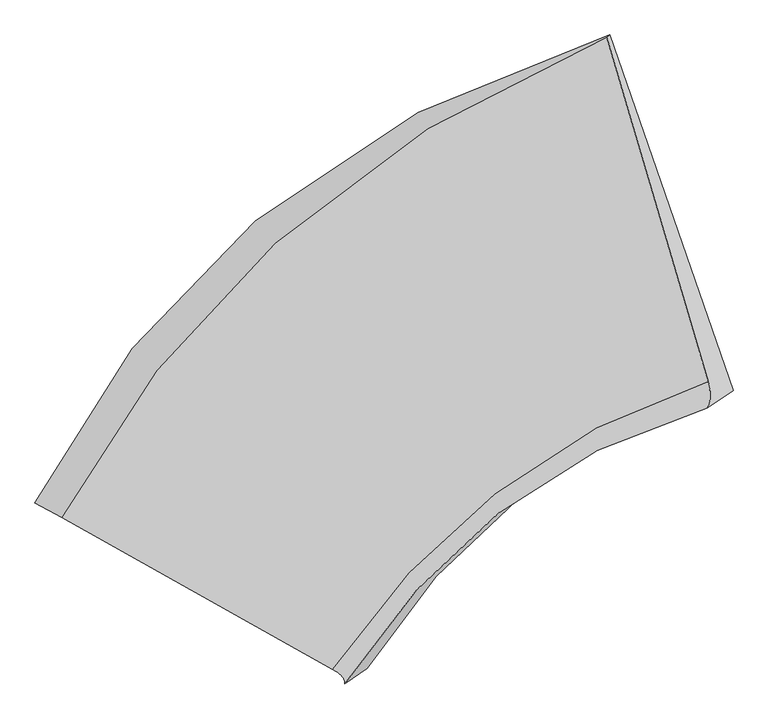
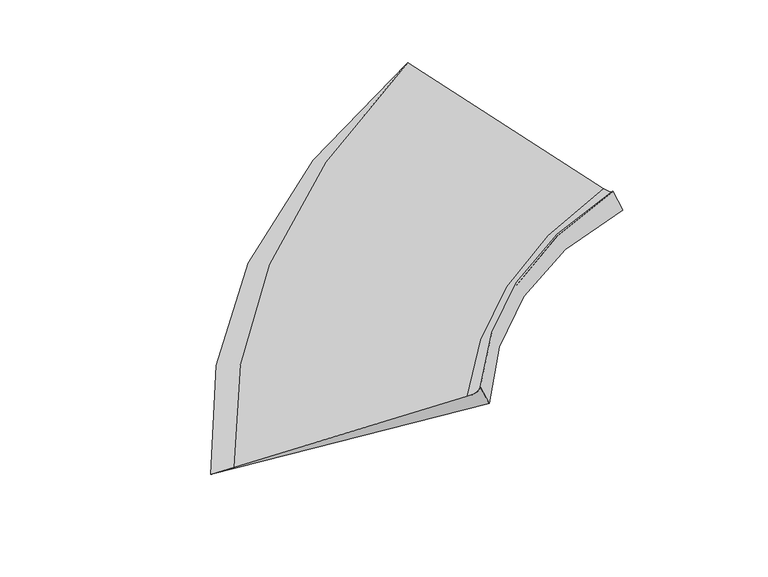
"""IFC4 building model written with IfcOpenShell, lengths in millimetres: proxy geometry."""

from ifc_helpers import new_model, si_unit, frame, origin, place, context, project, spatial, source, transform, mapped, element, save
from ifc_brep_helpers import plane_surface, spline_curve, spline_surface, advanced_brep


def generic_models_345935d4(model_context):
    return source(origin(), model_context, "Body", "AdvancedBrep", [
        advanced_brep(
        [(-3993.1593475, -6024.3595695, 311.5196952), (-3783.6894337, -6141.6431093, 398.0964906), (482.7235988, -2377.5622474, 1768.9017322), (507.3007695, -2360.5408899, 1720.6385868), (-1665.1147672, -7327.8465674, 1273.732529), (1277.2801759, -5077.126646, 1529.6311077), (-1568.3039247, -7444.3815529, 1432.0409427), (1270.2112035, -5284.4229638, 1625.7865337), (-1393.3197261, -7323.1931285, 1088.417671), (1471.8280614, -5144.7896165, 1229.8636736)],
        [
            (0, 1),
            (1, 2, spline_curve(3, [(-3783.6894337, -6141.6431093, 398.0964906), (-3347.998947878, -5320.816441728, 635.134833936), (-2790.888676997, -4603.705624573, 864.301021341), (-1386.341053391, -3333.986714477, 1322.376539221), (-521.313646747, -2796.403911212, 1550.145432058), (482.7235988, -2377.5622474, 1768.9017322)], [4, 2, 4], [0.0, 9.539369403836103, 19.746359814715433])),
            (2, 3),
            (3, 0, spline_curve(3, [(507.3007695, -2360.5408899, 1720.6385868), (-575.070343434, -2689.35345513, 1522.92707854), (-1498.785523749, -3174.513936347, 1301.912470856), (-2978.862861092, -4415.570812316, 829.257441467), (-3555.301053018, -5151.683224308, 580.565752117), (-3993.1593475, -6024.3595695, 311.5196952)], [4, 2, 4], [0.0, 10.20699041087933, 19.746359814715433])),
            (1, 4),
            (4, 5, spline_curve(3, [(-1665.1147672, -7327.8465674, 1273.732529), (-1289.324357707, -6782.141170433, 1311.70661249), (-866.176891987, -6324.971717262, 1351.242879786), (107.760817341, -5561.90556337, 1436.316092612), (665.411665963, -5268.835042817, 1482.079351694), (1277.2801759, -5077.126646, 1529.6311077)], [4, 2, 4], [0.0, 7.691119616555469, 15.920508882426525])),
            (5, 2),
            (4, 6, spline_curve(3, [(-1665.1147672, -7327.8465674, 1273.732529), (-1653.096027357, -7334.41600534, 1278.396508516), (-1642.18401421, -7340.969564621, 1283.748976732), (-1622.57344099, -7354.044925779, 1295.830890668), (-1613.874880977, -7360.566727681, 1302.560336381), (-1598.691214223, -7373.578574119, 1317.396205219), (-1592.206107444, -7380.068618642, 1325.502628329), (-1581.449347156, -7393.016950358, 1343.092452071), (-1577.177693611, -7399.475237603, 1352.575852678), (-1570.847839789, -7412.360054597, 1372.919631322), (-1568.789639478, -7418.786584364, 1383.780009426), (-1566.886692122, -7431.607886636, 1406.877742974), (-1567.041945145, -7438.002659124, 1419.115098474), (-1568.3039247, -7444.3815529, 1432.0409427)], [4, 2, 2, 2, 2, 2, 4], [0.0, 0.12134984940734886, 0.24269969881469772, 0.3640495482220466, 0.48539939762939543, 0.6067492470367443, 0.7280990964440931])),
            (6, 7, spline_curve(3, [(-1568.3039247, -7444.3815529, 1432.0409427), (-1217.251248742, -6905.70884326, 1463.500531755), (-814.972025732, -6459.235273236, 1494.834318839), (123.778506728, -5725.892210771, 1559.434407578), (667.670993265, -5452.379584333, 1592.682483951), (1270.2112035, -5284.4229638, 1625.7865337)], [4, 2, 4], [0.0, 5.849863260858942, 12.109134254655586])),
            (7, 5, spline_curve(3, [(1270.2112035, -5284.4229638, 1625.7865337), (1274.879964281, -5275.836478171, 1614.442344513), (1278.836051716, -5266.761663153, 1604.098525526), (1285.322879884, -5247.635374247, 1585.411627874), (1287.853620612, -5237.583900377, 1577.06854917), (1291.489755388, -5216.504293823, 1562.38313223), (1292.595149409, -5205.476161105, 1556.04079401), (1293.380590791, -5182.443236895, 1545.35685779), (1293.060638106, -5170.438445429, 1541.01525985), (1290.995386094, -5145.452203571, 1534.33280435), (1289.250086802, -5132.470753153, 1531.99194679), (1284.334141398, -5105.531193647, 1529.31097201), (1281.163495299, -5091.573084577, 1528.97085473), (1277.2801759, -5077.126646, 1529.6311077)], [4, 2, 2, 2, 2, 2, 4], [0.0, 0.12134984940734883, 0.24269969881469766, 0.3640495482220465, 0.4853993976293954, 0.6067492470367443, 0.7280990964440931])),
            (6, 8),
            (8, 9, spline_curve(3, [(-1393.3197261, -7323.1931285, 1088.417671), (-1065.267454861, -6800.449758842, 1165.044048767), (-672.805403195, -6360.775245769, 1215.656196575), (272.912830772, -5622.606577335, 1266.573538956), (835.500041535, -5336.146586542, 1263.110058787), (1471.8280614, -5144.7896165, 1229.8636736)], [4, 2, 4], [0.0, 5.803779164699609, 12.013740827063591])),
            (9, 7),
            (8, 0),
            (3, 9),
        ],
        [
            spline_surface(3, 3, [[(-3993.1593475, -6024.3595695, 311.5196952), (-3555.301053036, -5151.683224271, 580.565752015), (-2978.862861139, -4415.570812269, 829.257441525), (-1498.785523698, -3174.513936397, 1301.912470793), (-575.070343284, -2689.35345522, 1522.927078484), (507.3007695, -2360.5408899, 1720.6385868)], [(-3923.336042899, -6063.454082754, 340.378627008), (-3486.200351327, -5208.060963377, 598.755445972), (-2916.204799804, -4478.28241634, 840.938634825), (-1461.304033587, -3227.671529153, 1308.733826917), (-557.151444414, -2725.036940537, 1531.99986304), (499.108379256, -2366.214675731, 1736.726301934)], [(-3853.512738301, -6102.548596046, 369.237558792), (-3417.099649621, -5264.438702523, 616.945139904), (-2853.546738411, -4540.994020368, 852.619828109), (-1423.822543417, -3280.829121865, 1315.555183025), (-539.232545511, -2760.72042586, 1541.072647594), (490.915989044, -2371.888461569, 1752.814017066)], [(-3783.6894337, -6141.6431093, 398.0964906), (-3347.998947913, -5320.816441629, 635.13483386), (-2790.888677076, -4603.705624439, 864.301021409), (-1386.341053306, -3333.986714621, 1322.376539149), (-521.313646641, -2796.403911177, 1550.14543215), (482.7235988, -2377.5622474, 1768.9017322)]], [4, 4], [4, 2, 4], [0.0, 0.7507275471865918], [0.0, 9.539369403836103, 19.746359814715433]),
            spline_surface(3, 3, [[(-3783.6894337, -6141.6431093, 398.0964906), (-3347.998947913, -5320.816441629, 635.13483386), (-2790.888677076, -4603.705624439, 864.301021409), (-1386.341053306, -3333.986714621, 1322.376539149), (-521.313646641, -2796.403911177, 1550.14543215), (482.7235988, -2377.5622474, 1768.9017322)], [(-3077.497878212, -6537.044262015, 689.975170072), (-2661.774084549, -5807.924684574, 860.65876004), (-2149.318082072, -5177.460988674, 1026.614974163), (-888.307096376, -4076.626330884, 1360.35639034), (-125.738542388, -3620.547621751, 1527.456738671), (747.57579118, -3277.417046918, 1689.144857389)], [(-2371.306322688, -6932.445414685, 981.853849528), (-1975.54922115, -6295.032927473, 1086.182686202), (-1507.747487097, -5751.21635295, 1188.928926924), (-390.273139476, -4819.265947189, 1398.336241537), (269.836561826, -4444.691332372, 1504.768045126), (1012.42798352, -4177.271846482, 1609.387982511)], [(-1665.1147672, -7327.8465674, 1273.732529), (-1289.324357787, -6782.141170417, 1311.706612381), (-866.176892092, -6324.971717184, 1351.242879678), (107.760817454, -5561.905563452, 1436.316092728), (665.411666079, -5268.835042946, 1482.079351648), (1277.2801759, -5077.126646, 1529.6311077)]], [4, 4], [4, 2, 4], [0.0, 8.63128368415739], [0.0, 7.691119616555469, 15.920508882426525]),
            spline_surface(3, 3, [[(-1665.1147672, -7327.8465674, 1273.732529), (-1289.324357787, -6782.141170417, 1311.706612381), (-866.176892092, -6324.971717184, 1351.242879678), (107.760817454, -5561.905563452, 1436.316092728), (665.411666079, -5268.835042946, 1482.079351648), (1277.2801759, -5077.126646, 1529.6311077)], [(-1653.096027359, -7334.416005341, 1278.396508515), (-1277.905804714, -6790.471963047, 1315.68548321), (-855.701462323, -6334.825743108, 1354.453423136), (115.574121539, -5574.419752841, 1437.763947895), (671.456286653, -5282.451665919, 1482.520790022), (1281.163495299, -5091.573084575, 1528.97085473)], [(-1642.184014209, -7340.96956462, 1283.748976733), (-1267.723000291, -6798.558435376, 1320.40670813), (-846.497818343, -6344.280612457, 1358.458426441), (122.233520253, -5586.366638884, 1440.110478321), (676.514390209, -5295.498338134, 1483.912758481), (1284.334141398, -5105.531193649, 1529.31097201)], [(-1622.573440991, -7354.04492578, 1295.830890667), (-1249.828888445, -6814.242739355, 1331.333866246), (-830.63410212, -6362.392037987, 1368.057352505), (133.244506781, -5609.125804264, 1446.60088946), (684.657563088, -5320.45178141, 1488.597755287), (1289.250086802, -5132.470753151, 1531.99194679)], [(-1613.874880976, -7360.566727681, 1302.560336381), (-1242.117581075, -6821.840571026, 1337.539799441), (-823.97402983, -6371.048594124, 1373.651275234), (137.596094641, -5619.938083554, 1450.74477014), (687.742632399, -5332.358552462, 1491.890783695), (1290.995386095, -5145.452203573, 1534.33280435)], [(-1598.691214224, -7373.578574119, 1317.396205219), (-1229.166463529, -6836.547593724, 1351.436374018), (-813.197456922, -6387.563393337, 1386.428040446), (143.991459528, -5640.428035536, 1460.829882083), (691.939737009, -5355.032193067, 1500.377900557), (1293.060638105, -5170.438445427, 1541.01525985)], [(-1592.206107444, -7380.068618642, 1325.50262833), (-1223.926653312, -6843.656784737, 1359.127015387), (-809.080956322, -6395.421636362, 1393.610882899), (146.035236535, -5650.105708175, 1466.771113317), (693.051772276, -5365.799062657, 1505.571989014), (1293.380590791, -5182.443236897, 1545.356857791)], [(-1581.449347156, -7393.016950358, 1343.09245207), (-1215.918530067, -6857.386526155, 1375.993006424), (-803.39152673, -6410.339809259, 1409.565487259), (147.81497978, -5668.326446758, 1480.450926066), (693.302808617, -5386.192900592, 1517.861225932), (1292.595149409, -5205.476161103, 1556.040794009)], [(-1577.177693612, -7399.475237602, 1352.575852678), (-1213.150217002, -6864.00707661, 1385.168356068), (-801.818597821, -6417.399739171, 1418.337249237), (147.550945934, -5676.869512744, 1488.189507653), (692.44180974, -5395.819868919, 1524.956374339), (1291.489755388, -5216.504293821, 1562.383132231)], [(-1570.847839788, -7412.360054598, 1372.919631322), (-1210.085088057, -6876.759536747, 1405.003763565), (-801.216311545, -6430.721285751, 1437.469692744), (144.715067537, -5692.82103793, 1505.464021207), (688.746777812, -5413.933904183, 1541.047731314), (1287.853620612, -5237.583900379, 1577.068549169)], [(-1568.789639479, -7418.786584363, 1383.780009426), (-1209.788272145, -6882.891446443, 1415.663821484), (-802.186954225, -6436.982902452, 1447.830374246), (142.143222938, -5700.229497164, 1514.999953147), (685.91274479, -5422.420971147, 1550.043939869), (1285.322879885, -5247.635374245, 1585.411627872)], [(-1566.886692121, -7431.607886637, 1406.877742974), (-1211.6661375, -6894.6666253, 1438.468645441), (-806.671811264, -6448.707822714, 1470.1406569), (134.691722898, -5713.911808952, 1535.869167507), (678.271644592, -5438.255203741, 1569.9374169), (1278.836051715, -5266.761663155, 1604.098525528)], [(-1567.041945147, -7438.002659124, 1419.115098475), (-1213.840818841, -6900.309894438, 1450.613411535), (-810.186025534, -6454.171126304, 1482.090258027), (129.812067547, -5720.185661533, 1547.2024499), (673.464577426, -5445.602369343, 1580.834685405), (1274.879964282, -5275.83647817, 1614.442344512)], [(-1568.3039247, -7444.3815529, 1432.0409427), (-1217.251248669, -6905.708843227, 1463.500531743), (-814.972025712, -6459.235273276, 1494.834318928), (123.778506706, -5725.892210728, 1559.434407483), (667.670993193, -5452.379584305, 1592.682483949), (1270.2112035, -5284.4229638, 1625.7865337)]], [4, 2, 2, 2, 2, 2, 4], [4, 2, 4], [0.0, 0.12134984940734886, 0.24269969881469772, 0.3640495482220466, 0.48539939762939543, 0.6067492470367443, 0.7280990964440931], [0.0, 5.849863260858942, 12.109134254655586]),
            spline_surface(3, 3, [[(-1568.3039247, -7444.3815529, 1432.0409427), (-1217.251248669, -6905.708843227, 1463.500531743), (-814.972025712, -6459.235273276, 1494.834318928), (123.778506706, -5725.892210728, 1559.434407483), (667.670993193, -5452.379584305, 1592.682483949), (1270.2112035, -5284.4229638, 1625.7865337)], [(-1509.975858529, -7403.985411418, 1317.499852144), (-1166.589984064, -6870.622481772, 1364.015037406), (-767.583151504, -6426.415264096, 1401.774944798), (173.489948056, -5691.463666291, 1461.814117987), (723.614009321, -5413.635251724, 1482.82500886), (1337.416822819, -5237.87851471, 1493.812246987)], [(-1451.647792271, -7363.589269982, 1202.958761556), (-1115.928719371, -6835.536120363, 1264.529543035), (-720.194277344, -6393.595254893, 1308.715570669), (223.201389358, -5657.035121833, 1364.193828492), (779.557025394, -5374.890919114, 1372.96753381), (1404.622442081, -5191.33406559, 1361.837960313)], [(-1393.3197261, -7323.1931285, 1088.417671), (-1065.267454767, -6800.449758908, 1165.044048697), (-672.805403135, -6360.775245712, 1215.656196539), (272.912830708, -5622.606577396, 1266.573538995), (835.500041523, -5336.146586534, 1263.110058721), (1471.8280614, -5144.7896165, 1229.8636736)]], [4, 4], [4, 2, 4], [0.0, 1.105980895332109], [0.0, 5.803779164699609, 12.013740827063591]),
            spline_surface(3, 3, [[(-1393.3197261, -7323.1931285, 1088.417671), (-1065.267454767, -6800.449758908, 1165.044048697), (-672.805403135, -6360.775245712, 1215.656196539), (272.912830708, -5622.606577396, 1266.573538995), (835.500041523, -5336.146586534, 1263.110058721), (1471.8280614, -5144.7896165, 1229.8636736)], [(-2259.932933223, -6890.248608863, 829.451679053), (-1895.27865418, -6250.860914059, 970.217949789), (-1441.491222459, -5712.373767897, 1086.856611536), (-317.653287417, -4806.575697063, 1278.35318293), (365.309913248, -4453.882209419, 1349.715731978), (1150.318964094, -4216.706707623, 1393.455311336)], [(-3126.546140377, -6457.304089137, 570.485687147), (-2725.289853623, -5701.27206912, 775.391850923), (-2210.177041815, -5063.972290084, 958.057026528), (-908.219405574, -3990.544816731, 1290.132826859), (-104.88021501, -3571.617832335, 1436.321405227), (828.809866806, -3288.623798777, 1557.046949064)], [(-3993.1593475, -6024.3595695, 311.5196952), (-3555.301053036, -5151.683224271, 580.565752015), (-2978.862861139, -4415.570812269, 829.257441525), (-1498.785523698, -3174.513936397, 1301.912470793), (-575.070343284, -2689.35345522, 1522.927078484), (507.3007695, -2360.5408899, 1720.6385868)]], [4, 4], [4, 2, 4], [0.0, 9.846871356422847], [0.0, 7.705816183422887, 15.950930568087252]),
            plane_surface(frame((1001.8687618, -4048.8884727, 1574.9643268), z_axis=(0.8416253964287868, 0.2033699064574691, 0.5003072788132987), x_axis=(-0.4329077134748317, -0.2998179502657709, 0.8501177026226573))),
            plane_surface(frame((-2154.9744414, -7029.9452046, 1026.4277095), z_axis=(-0.28970406371392154, -0.8467648960585892, -0.44616226450757474), x_axis=(0.8642300114117274, -0.43175391751577713, 0.2582538326628771))),
        ],
        [
            (0, [[1, 2, 3, 4]]),
            (1, [[5, 6, 7, -2]]),
            (2, [[8, 9, 10, -6]]),
            (3, [[11, 12, 13, -9]]),
            (4, [[14, -4, 15, -12]]),
            (5, [[-3, -7, -10, -13, -15]]),
            (6, [[-14, -11, -8, -5, -1]]),
        ],
    ),
    ])


if __name__ == "__main__":
    model = new_model("IFC4")
    model_context = context("Model", 3, world=origin())
    ifc_project = project(units=[si_unit("LENGTHUNIT", "METRE", prefix="MILLI")], contexts=[model_context])
    site = spatial("IfcSite", under=ifc_project)
    building = spatial("IfcBuilding", under=site)
    placement = place(None, origin())
    generic_models_shape = generic_models_345935d4(model_context)
    element("IfcBuildingElementProxy", 1, Name="Generic Models", at=placement, inside=building, context=model_context, shape_type="MappedRepresentation", body=[
        mapped(generic_models_shape, transform((0.0, 0.0, 0.0), x_axis=(1.0, 0.0, 0.0), y_axis=(0.0, 1.0, 0.0), z_axis=(0.0, 0.0, 1.0))),
    ])
    save(model, "model.ifc")
